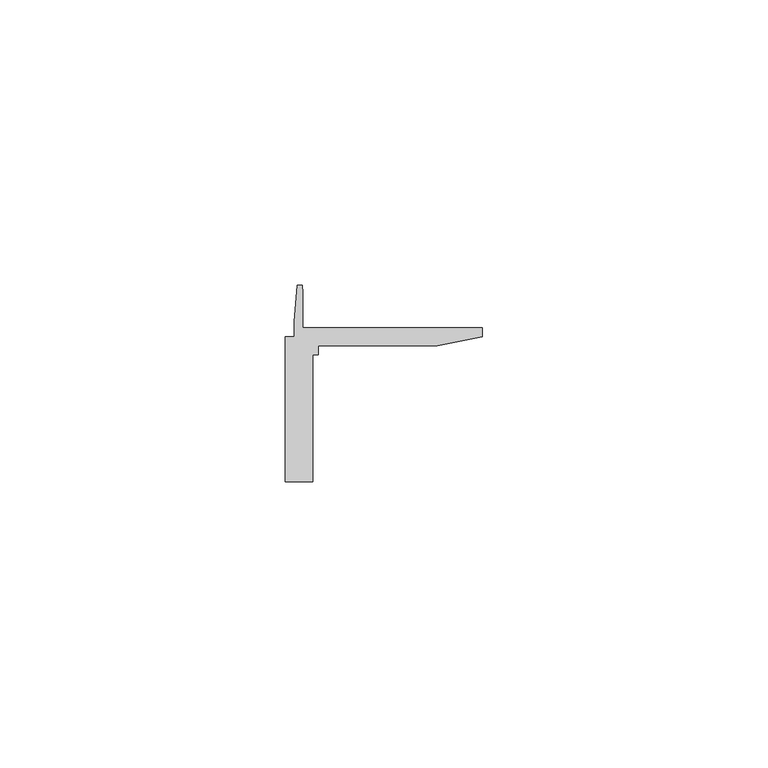
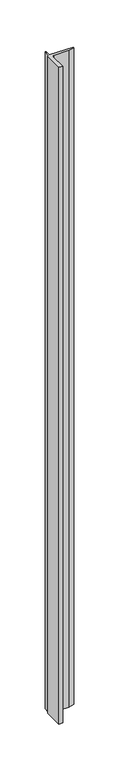
"""IFC4 building model written with IfcOpenShell, lengths in millimetres: proxy geometry."""

from ifc_helpers import new_model, si_unit, frame, origin, place, context, project, spatial, polyline, outline, extrude, source, transform, mapped, element, save


def generic_models_f619f15f(model_context):
    return source(origin(), model_context, "Body", "SweptSolid", [
        extrude(outline(polyline([(37216.3472328, -22010.3357501), (37217.9179688, -22010.3357501), (37217.9179688, -22007.6900861), (37218.4259688, -22001.3400861), (37219.2631528, -22001.3400861), (37219.3901528, -22002.6141501), (37219.3901528, -22008.7599341), (37250.8648168, -22008.7599341), (37250.8648168, -22010.3469261), (37242.9268088, -22011.9349341), (37222.1343688, -22011.9349341), (37222.1343688, -22013.5107501), (37221.1214168, -22013.5107501), (37221.1214168, -22035.7357501), (37216.3472328, -22035.7357501), (37216.3472328, -22010.3357501)])), frame((0.0, 0.0, 1524.0), z_axis=(0.0, 0.0, 1.0), x_axis=(1.0, 0.0, 0.0)), (0.0, 0.0, 1.0), 914.4),
    ])


if __name__ == "__main__":
    model = new_model("IFC4")
    model_context = context("Model", 3, world=origin())
    ifc_project = project(units=[si_unit("LENGTHUNIT", "METRE", prefix="MILLI")], contexts=[model_context])
    site = spatial("IfcSite", under=ifc_project)
    building = spatial("IfcBuilding", under=site)
    placement = place(None, origin())
    generic_models_shape = generic_models_f619f15f(model_context)
    element("IfcBuildingElementProxy", 1, Name="Generic Models", at=placement, inside=building, context=model_context, shape_type="MappedRepresentation", body=[
        mapped(generic_models_shape, transform((0.0, 0.0, 0.0), x_axis=(1.0, 0.0, 0.0), y_axis=(0.0, 1.0, 0.0), z_axis=(0.0, 0.0, 1.0))),
    ])
    save(model, "model.ifc")
